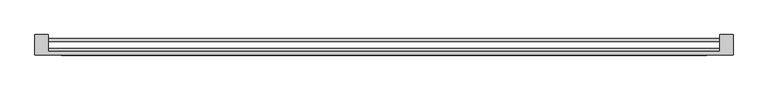
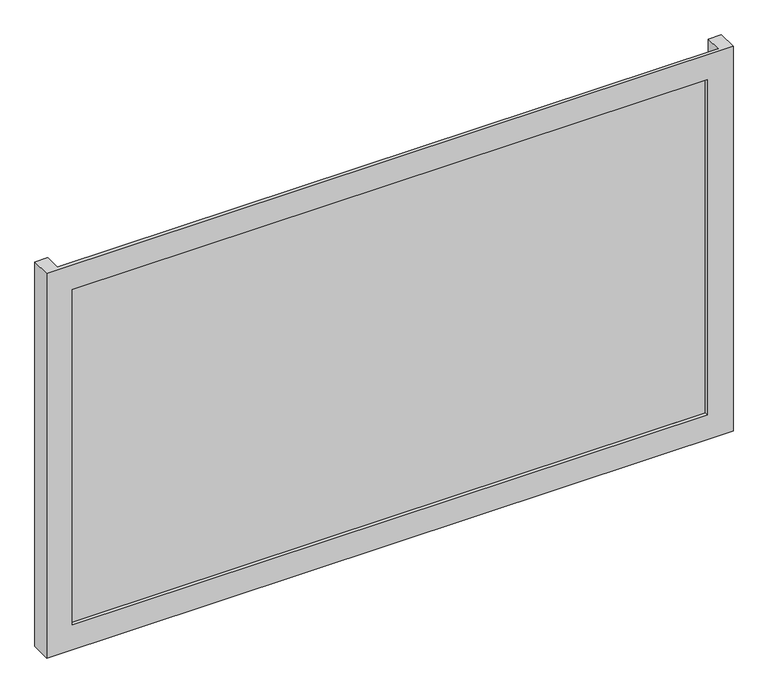
"""IFC4 building model written with IfcOpenShell, lengths in millimetres: plate geometry."""

from ifc_helpers import new_model, si_unit, origin, origin_with_axes, place, context, project, spatial, polyline, outline, extrude, faceted_brep, source, transform, mapped, element, save


def plate_cc6fcf7b(model_context):
    return source(origin(), model_context, "Body", "SolidModel", [
        faceted_brep([(662.5, -50.8, -50.0), (662.5, -89.8, -50.0), (-662.5, -89.8, -50.0), (-662.5, -50.8, -50.0), (-637.5, -50.8, -50.0), (-637.5, -82.8, -50.0), (637.5, -82.8, -50.0), (637.5, -50.8, -50.0), (612.5, -89.8, 0.0), (612.5, -82.8, 0.0), (-612.5, -82.8, 0.0), (-612.5, -89.8, 0.0), (662.5, -89.8, 735.0), (-662.5, -89.8, 735.0), (-612.5, -89.8, 685.0), (612.5, -89.8, 685.0), (-637.5, -82.8, 735.0), (637.5, -82.8, 735.0), (612.5, -82.8, 685.0), (-612.5, -82.8, 685.0), (662.5, -50.8, 735.0), (637.5, -50.8, 735.0), (-637.5, -50.8, 735.0), (-662.5, -50.8, 735.0)], [[[0, 1, 2, 3, 4, 5, 6, 7]], [[8, 9, 10, 11]], [[12, 13, 2, 1], [11, 14, 15, 8]], [[16, 17, 6, 5], [9, 18, 19, 10]], [[20, 21, 17, 16, 22, 23, 13, 12]], [[20, 0, 7, 21]], [[21, 7, 6, 17]], [[8, 15, 18, 9]], [[12, 1, 0, 20]], [[22, 4, 3, 23]], [[16, 5, 4, 22]], [[10, 19, 14, 11]], [[23, 3, 2, 13]], [[18, 15, 14, 19]]]),
        extrude(outline(polyline([(637.5, -76.8), (637.5, -82.8), (-637.5, -82.8), (-637.5, -76.8), (637.5, -76.8)])), origin_with_axes(), (0.0, 0.0, 1.0), 685.0),
        extrude(outline(polyline([(637.5, -64.2), (-637.5, -64.2), (-637.5, -57.8), (637.5, -57.8), (637.5, -64.2)])), origin_with_axes(), (0.0, 0.0, 1.0), 685.0),
    ])


if __name__ == "__main__":
    model = new_model("IFC4")
    model_context = context("Model", 3, world=origin())
    ifc_project = project(units=[si_unit("LENGTHUNIT", "METRE", prefix="MILLI")], contexts=[model_context])
    site = spatial("IfcSite", under=ifc_project)
    building = spatial("IfcBuilding", under=site)
    placement = place(None, origin())
    plate_shape = plate_cc6fcf7b(model_context)
    element("IfcPlate", 1, at=placement, inside=building, context=model_context, shape_type="MappedRepresentation", body=[
        mapped(plate_shape, transform((0.0, 0.0, 0.0), x_axis=(1.0, 0.0, 0.0), y_axis=(0.0, 1.0, 0.0), z_axis=(0.0, 0.0, 1.0))),
    ])
    save(model, "model.ifc")
